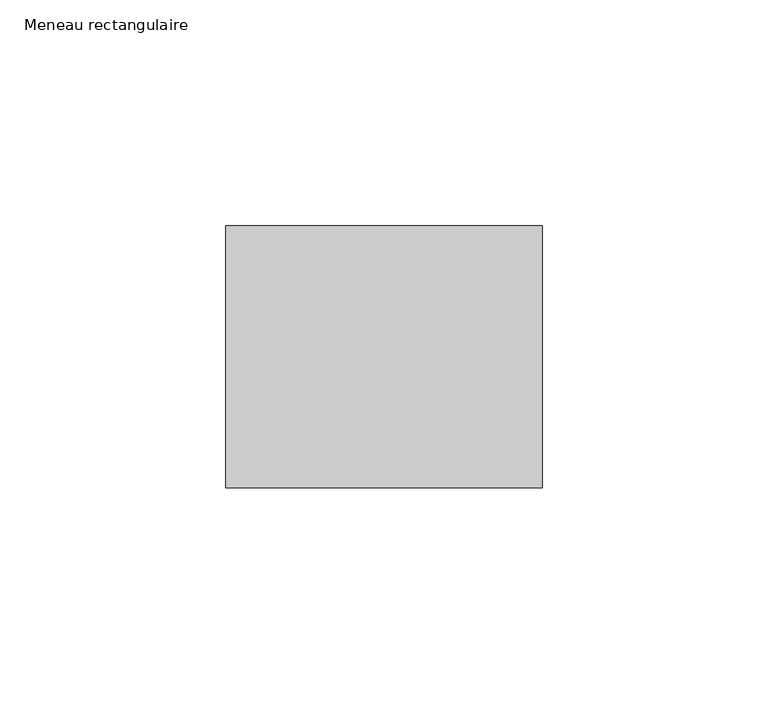
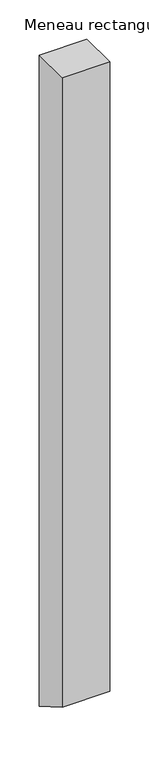
"""IFC4 building model written with IfcOpenShell, lengths in millimetres: member geometry, Meneau rectangulaire."""

from ifc_helpers import new_model, si_unit, frame, origin, place, context, project, spatial, polyline, outline, extrude, source, transform, mapped, element, save


def meneau_rectangulaire_fbeb8a80(model_context):
    return source(origin(), model_context, "Body", "SweptSolid", [
        extrude(outline(polyline([(-29.0, 0.0), (29.0, 0.0), (29.0, -1012.4138739), (-29.0, -978.9275583), (-29.0, 0.0)])), frame((-70.0, 0.0, 0.0), z_axis=(1.0, 0.0, 0.0), x_axis=(0.0, 1.0, 0.0)), (0.0, 0.0, 1.0), 70.0),
    ])


if __name__ == "__main__":
    model = new_model("IFC4")
    model_context = context("Model", 3, world=origin())
    ifc_project = project(units=[si_unit("LENGTHUNIT", "METRE", prefix="MILLI")], contexts=[model_context])
    site = spatial("IfcSite", under=ifc_project)
    building = spatial("IfcBuilding", under=site)
    placement = place(None, origin())
    meneau_rectangulaire_shape = meneau_rectangulaire_fbeb8a80(model_context)
    element("IfcMember", 1, ObjectType="Meneau rectangulaire", at=placement, inside=building, context=model_context, shape_type="MappedRepresentation", body=[
        mapped(meneau_rectangulaire_shape, transform((0.0, 0.0, 0.0), x_axis=(1.0, 0.0, 0.0), y_axis=(0.0, 1.0, 0.0), z_axis=(0.0, 0.0, 1.0))),
    ])
    save(model, "model.ifc")
